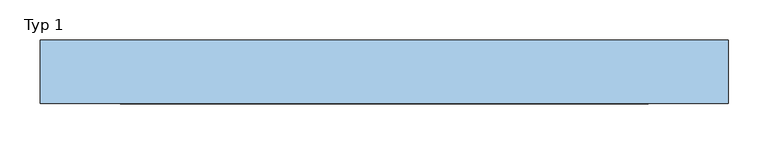
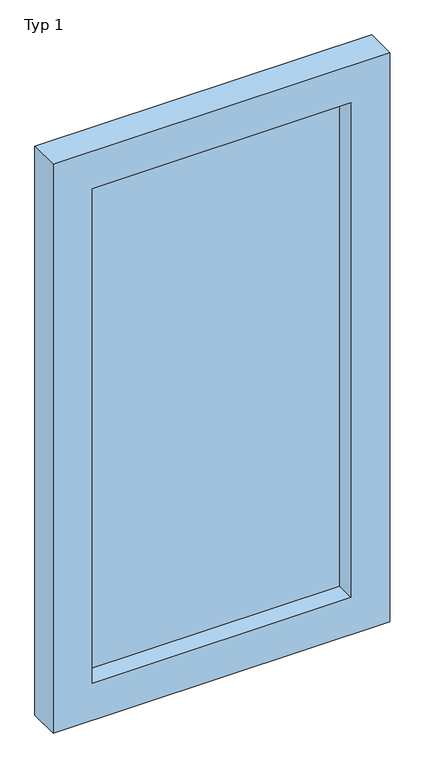
"""IFC4 building model written with IfcOpenShell, lengths in millimetres: window geometry, Typ 1."""

from ifc_helpers import new_model, si_unit, frame, origin, place, context, project, spatial, polyline, outline, extrude, source, transform, mapped, element, save


def typ_1_de5c2f9d(model_context):
    return source(origin(), model_context, "Body", "SweptSolid", [
        extrude(outline(polyline([(455.0, 10.0), (-205.0, 10.0), (-205.0, 20.0), (455.0, 20.0), (455.0, 10.0)])), frame((0.0, 0.0, 606.7811779), z_axis=(0.0, 0.0, 1.0), x_axis=(1.0, 0.0, 0.0)), (0.0, 0.0, 1.0), 1334.6369347),
        extrude(outline(polyline([(2041.4181125, -305.0), (506.7811779, -305.0), (506.7811779, 555.0), (2041.4181125, 555.0), (2041.4181125, -305.0)]), holes=[polyline([(1941.4181125, -205.0), (1941.4181125, 455.0), (606.7811779, 455.0), (606.7811779, -205.0), (1941.4181125, -205.0)])]), frame((0.0, -40.0, 0.0), z_axis=(0.0, 1.0, 0.0), x_axis=(0.0, 0.0, 1.0)), (0.0, 0.0, 1.0), 80.0),
    ])


if __name__ == "__main__":
    model = new_model("IFC4")
    model_context = context("Model", 3, world=origin())
    ifc_project = project(units=[si_unit("LENGTHUNIT", "METRE", prefix="MILLI")], contexts=[model_context])
    site = spatial("IfcSite", under=ifc_project)
    building = spatial("IfcBuilding", under=site)
    placement = place(None, origin())
    typ_1_shape = typ_1_de5c2f9d(model_context)
    element("IfcWindow", 1, ObjectType="Typ 1", at=placement, inside=building, context=model_context, shape_type="MappedRepresentation", body=[
        mapped(typ_1_shape, transform((0.0, 0.0, 0.0), x_axis=(1.0, 0.0, 0.0), y_axis=(0.0, 1.0, 0.0), z_axis=(0.0, 0.0, 1.0))),
    ])
    save(model, "model.ifc")
